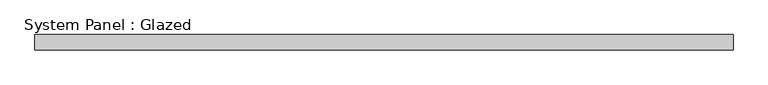
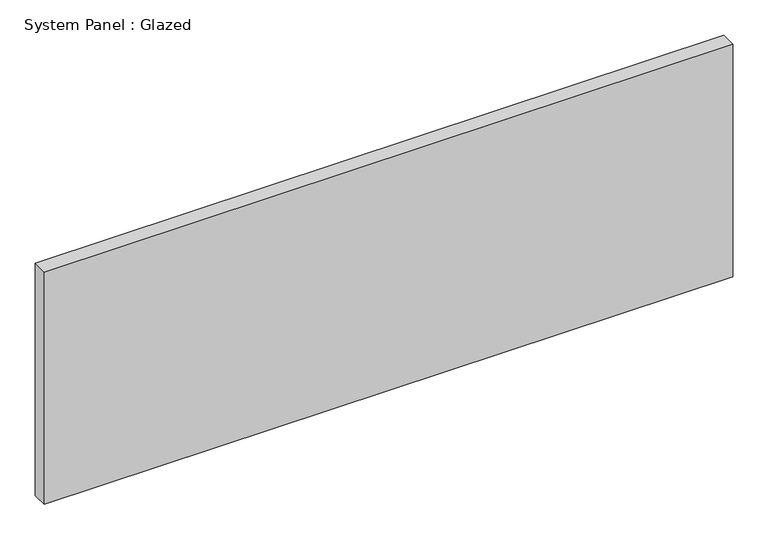
"""IFC4 building model written with IfcOpenShell, lengths in millimetres: plate geometry, System Panel : Glazed."""

from ifc_helpers import new_model, si_unit, origin, origin_with_axes, place, context, project, spatial, polyline, outline, extrude, source, transform, mapped, element, save


def system_panel_glazed_2537d25b(model_context):
    return source(origin(), model_context, "Body", "SweptSolid", [
        extrude(outline(polyline([(560.5, -37.5), (-560.5, -37.5), (-560.5, -12.5), (560.5, -12.5), (560.5, -37.5)])), origin_with_axes(), (0.0, 0.0, 1.0), 400.0),
    ])


if __name__ == "__main__":
    model = new_model("IFC4")
    model_context = context("Model", 3, world=origin())
    ifc_project = project(units=[si_unit("LENGTHUNIT", "METRE", prefix="MILLI")], contexts=[model_context])
    site = spatial("IfcSite", under=ifc_project)
    building = spatial("IfcBuilding", under=site)
    placement = place(None, origin())
    system_panel_glazed_shape = system_panel_glazed_2537d25b(model_context)
    element("IfcPlate", 1, ObjectType="System Panel : Glazed", at=placement, inside=building, context=model_context, shape_type="MappedRepresentation", body=[
        mapped(system_panel_glazed_shape, transform((0.0, 0.0, 0.0), x_axis=(1.0, 0.0, 0.0), y_axis=(0.0, 1.0, 0.0), z_axis=(0.0, 0.0, 1.0))),
    ])
    save(model, "model.ifc")
